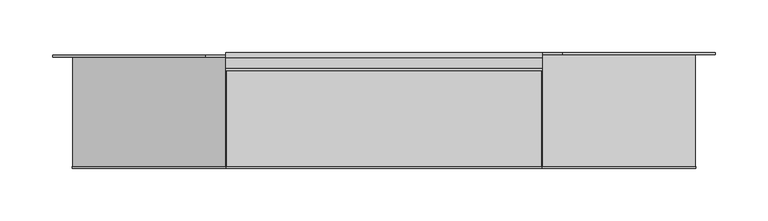
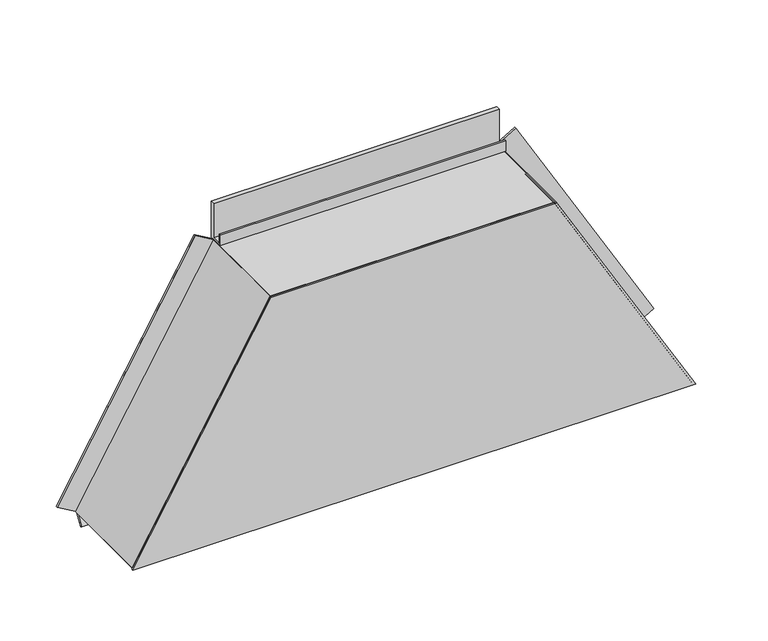
"""IFC4 building model written with IfcOpenShell, lengths in millimetres: proxy geometry."""

from ifc_helpers import new_model, si_unit, frame, origin, place, context, project, spatial, polyline, outline, extrude, source, transform, mapped, element, save


def generic_models_930eaa56(model_context):
    return source(origin(), model_context, "Body", "SweptSolid", [
        extrude(outline(polyline([(-103.8, 0.0), (0.0, 0.0), (0.0, 22.0), (2.0, 22.0), (2.0, 0.0), (2.0, -2.0), (-103.8, -2.0), (-103.8, 0.0)])), frame((-145.2025423, -4.2, 1.0000267), z_axis=(0.49999732699885974, 0.0, 0.8660269470368664), x_axis=(0.0, 1.0, 0.0)), (0.0, 0.0, 1.0), 290.4066679),
        extrude(outline(polyline([(0.0, 0.0), (2.0, 0.0), (2.0, -108.0), (0.0, -108.0), (-22.0, -108.0), (-22.0, -106.0), (0.0, -106.0), (0.0, 0.0)])), frame((445.4025423, -108.0, 1.0000267), z_axis=(-0.499997326998857, 0.0, 0.866026947036868), x_axis=(-0.866026947036868, 0.0, -0.499997326998857)), (0.0, 0.0, 1.0), 290.4066679),
        extrude(outline(polyline([(-108.0, 250.5), (-108.0, 252.5), (-2.0, 252.5), (-2.0, 291.0), (-3.0, 291.0), (-3.0, 253.5), (-17.1, 253.5), (-17.1, 265.3), (-15.1, 265.3), (-15.1, 255.5), (-5.0, 255.5), (-5.0, 293.0), (0.0, 293.0), (0.0, 250.5), (-108.0, 250.5)])), frame((0.0, 0.0, 0.0), z_axis=(1.0, 0.0, 0.0), x_axis=(0.0, 1.0, 0.0)), (0.0, 0.0, 1.0), 300.22),
        extrude(outline(polyline([(-8.1635024, 0.0), (-108.0, 0.0), (-108.0, 2.0), (-5.6, 2.0), (-5.6, 0.1740539), (-13.4221074, -10.9961152), (-15.0603652, -9.8488963), (-8.1635024, 0.0)])), frame((-144.6252115, 0.0, 0.0), z_axis=(1.0, 0.0, 0.0), x_axis=(0.0, 1.0, 0.0)), (0.0, 0.0, 1.0), 589.4504231),
        extrude(outline(polyline([(252.5, 0.0), (0.0, -145.7799038), (0.0, 445.9799038), (252.5, 300.2), (252.5, 0.0)])), frame((0.0, -110.0, 0.0), z_axis=(0.0, 1.0, 0.0), x_axis=(0.0, 0.0, 1.0)), (0.0, 0.0, 1.0), 2.0),
    ])


if __name__ == "__main__":
    model = new_model("IFC4")
    model_context = context("Model", 3, world=origin())
    ifc_project = project(units=[si_unit("LENGTHUNIT", "METRE", prefix="MILLI")], contexts=[model_context])
    site = spatial("IfcSite", under=ifc_project)
    building = spatial("IfcBuilding", under=site)
    placement = place(None, origin())
    generic_models_shape = generic_models_930eaa56(model_context)
    element("IfcBuildingElementProxy", 1, Name="Generic Models", at=placement, inside=building, context=model_context, shape_type="MappedRepresentation", body=[
        mapped(generic_models_shape, transform((0.0, 0.0, 0.0), x_axis=(1.0, 0.0, 0.0), y_axis=(0.0, 1.0, 0.0), z_axis=(0.0, 0.0, 1.0))),
    ])
    save(model, "model.ifc")
